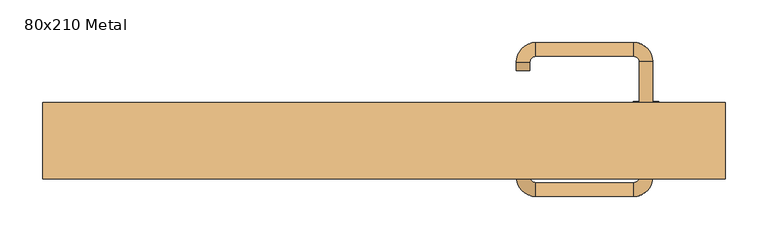
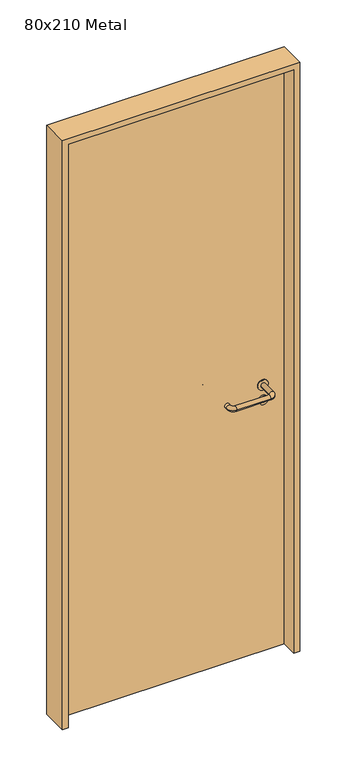
"""IFC4 building model written with IfcOpenShell, lengths in millimetres: door geometry, 80x210 Metal."""

from ifc_helpers import new_model, si_unit, point, frame, frame_2d, origin, origin_with_axes, place, context, project, spatial, polyline, circle_curve, ellipse_curve, trimmed, segment, composite_curve, outline, extrude, source, transform, mapped, element, save
from ifc_brep_helpers import plane_surface, cylinder_surface, revolved_surface, advanced_brep


def door_80x210_metal_b81446e7(model_context):
    return source(origin(), model_context, "Body", "SolidModel", [
        extrude(outline(composite_curve([segment(trimmed(circle_curve(frame_2d((897.3605726, 307.0)), 15.0), [point((897.3605726, 322.0))], [point((897.3605726, 292.0))], False, "CARTESIAN"), True, "CONTINUOUS"), segment(trimmed(circle_curve(frame_2d((897.3605726, 307.0)), 15.0), [point((897.3605726, 292.0))], [point((897.3605726, 322.0))], False, "CARTESIAN"), True, "CONTINUOUS")], self_intersect=False), holes=[composite_curve([segment(trimmed(circle_curve(frame_2d((892.5833211, 306.9398032)), 2.0), [point((892.5833211, 308.9398032))], [point((892.5833211, 304.9398032))], True, "CARTESIAN"), True, "CONTINUOUS"), segment(polyline([(892.5833211, 304.9398032), (902.5833211, 304.9398032)]), True, "CONTINUOUS"), segment(trimmed(circle_curve(frame_2d((902.5833211, 306.9398032)), 2.0), [point((902.5833211, 304.9398032))], [point((902.5833211, 308.9398032))], True, "CARTESIAN"), True, "CONTINUOUS"), segment(polyline([(902.5833211, 308.9398032), (892.5833211, 308.9398032)]), True, "CONTINUOUS")], self_intersect=False)]), frame((0.0, 8.65, 0.0), z_axis=(0.0, 1.0, 0.0), x_axis=(0.0, 0.0, 1.0)), (0.0, 0.0, 1.0), 6.35),
        extrude(outline(composite_curve([segment(trimmed(circle_curve(frame_2d((950.0, 307.0)), 17.526), [point((950.0, 324.526))], [point((950.0, 289.474))], False, "CARTESIAN"), True, "CONTINUOUS"), segment(trimmed(circle_curve(frame_2d((950.0, 307.0)), 17.526), [point((950.0, 289.474))], [point((950.0, 324.526))], False, "CARTESIAN"), True, "CONTINUOUS")], self_intersect=False)), frame((0.0, 11.825, 0.0), z_axis=(0.0, 1.0, 0.0), x_axis=(0.0, 0.0, 1.0)), (0.0, 0.0, 1.0), 3.175),
        advanced_brep(
        [(315.0, 15.0, 950.0), (299.0, 15.0, 950.0), (299.0, -38.0, 950.0), (315.0, -38.0, 950.0), (292.8578644, -44.1421356, 950.0), (292.8578644, -60.1421356, 950.0), (177.8578644, -44.1421356, 950.0), (177.8578644, -60.1421356, 950.0), (171.008622, -37.2928932, 950.0), (155.008622, -37.2928932, 950.0), (155.008622, -27.2928932, 950.0), (171.008622, -27.2928932, 950.0)],
        [
            (0, 1, circle_curve(frame((307.0, 15.0, 950.0), z_axis=(0.0, 1.0, 0.0), x_axis=(-1.0, 0.0, 0.0)), 8.0)),
            (1, 0, circle_curve(frame((307.0, 15.0, 950.0), z_axis=(0.0, 1.0, 0.0), x_axis=(-1.0, 0.0, 0.0)), 8.0)),
            (1, 2),
            (2, 3, circle_curve(frame((307.0, -38.0, 950.0), z_axis=(0.0, 1.0, 0.0), x_axis=(-1.0, 0.0, 0.0)), 8.0)),
            (3, 0),
            (3, 2, circle_curve(frame((307.0, -38.0, 950.0), z_axis=(0.0, 1.0, 0.0), x_axis=(-1.0, 0.0, 0.0)), 8.0)),
            (4, 5, circle_curve(frame((292.8578644, -52.1421356, 950.0), z_axis=(1.0, 0.0, 0.0), x_axis=(0.0, 1.0, 0.0)), 8.0)),
            (5, 3, circle_curve(frame((292.8578644, -38.0, 950.0), z_axis=(0.0, 0.0, 1.0), x_axis=(1.0, 0.0, 0.0)), 22.1421356)),
            (2, 4, circle_curve(frame((292.8578644, -38.0, 950.0), z_axis=(0.0, 0.0, -1.0), x_axis=(1.0, 0.0, 0.0)), 6.1421356)),
            (5, 4, circle_curve(frame((292.8578644, -52.1421356, 950.0), z_axis=(1.0, 0.0, 0.0), x_axis=(0.0, 1.0, 0.0)), 8.0)),
            (4, 6),
            (6, 7, circle_curve(frame((177.8578644, -52.1421356, 950.0), z_axis=(1.0, 0.0, 0.0), x_axis=(0.0, 1.0, 0.0)), 8.0)),
            (7, 5),
            (7, 6, circle_curve(frame((177.8578644, -52.1421356, 950.0), z_axis=(1.0, 0.0, 0.0), x_axis=(0.0, 1.0, 0.0)), 8.0)),
            (8, 9, circle_curve(frame((163.008622, -37.2928932, 950.0), z_axis=(0.0, -1.0, 0.0), x_axis=(1.0, 0.0, 0.0)), 8.0)),
            (9, 7, circle_curve(frame((177.8578644, -37.2928932, 950.0), z_axis=(0.0, 0.0, 1.0), x_axis=(0.0, -1.0, 0.0)), 22.8492424)),
            (6, 8, circle_curve(frame((177.8578644, -37.2928932, 950.0), z_axis=(0.0, 0.0, -1.0), x_axis=(0.0, -1.0, 0.0)), 6.8492424)),
            (9, 8, circle_curve(frame((163.008622, -37.2928932, 950.0), z_axis=(0.0, -1.0, 0.0), x_axis=(1.0, 0.0, 0.0)), 8.0)),
            (10, 11, circle_curve(frame((163.008622, -27.2928932, 950.0), z_axis=(0.0, 1.0, 0.0), x_axis=(1.0, 0.0, 0.0)), 8.0)),
            (11, 10, circle_curve(frame((163.008622, -27.2928932, 950.0), z_axis=(0.0, 1.0, 0.0), x_axis=(1.0, 0.0, 0.0)), 8.0)),
            (8, 11),
            (10, 9),
        ],
        [
            plane_surface(frame((307.0, 15.0, 0.0), z_axis=(0.0, 1.0, 0.0), x_axis=(0.0, 0.0, 1.0))),
            cylinder_surface(frame((307.0, 15.0, 950.0), z_axis=(0.0, 1.0, 0.0), x_axis=(-1.0, 0.0, 0.0)), 8.0),
            revolved_surface(trimmed(ellipse_curve(frame((307.0, -38.0, 950.0), z_axis=(0.0, -1.0, 0.0), x_axis=(-1.0, 0.0, 0.0)), 8.0, 8.0), [point((315.0, -38.0, 950.0))], [point((299.0, -38.0, 950.0))], True, "CARTESIAN"), (292.8578644, -38.0, 0.0), (0.0, 0.0, 1.0)),
            revolved_surface(trimmed(ellipse_curve(frame((307.0, -38.0, 950.0), z_axis=(0.0, -1.0, 0.0), x_axis=(-1.0, 0.0, 0.0)), 8.0, 8.0), [point((299.0, -38.0, 950.0))], [point((315.0, -38.0, 950.0))], True, "CARTESIAN"), (292.8578644, -38.0, 0.0), (0.0, 0.0, 1.0)),
            cylinder_surface(frame((292.8578644, -52.1421356, 950.0), z_axis=(1.0, 0.0, 0.0), x_axis=(0.0, 1.0, 0.0)), 8.0),
            revolved_surface(trimmed(ellipse_curve(frame((177.8578644, -52.1421356, 950.0), z_axis=(-1.0, 0.0, 0.0), x_axis=(0.0, 1.0, 0.0)), 8.0, 8.0), [point((177.8578644, -60.1421356, 950.0))], [point((177.8578644, -44.1421356, 950.0))], True, "CARTESIAN"), (177.8578644, -37.2928932, 0.0), (0.0, 0.0, 1.0)),
            revolved_surface(trimmed(ellipse_curve(frame((177.8578644, -52.1421356, 950.0), z_axis=(-1.0, 0.0, 0.0), x_axis=(0.0, 1.0, 0.0)), 8.0, 8.0), [point((177.8578644, -44.1421356, 950.0))], [point((177.8578644, -60.1421356, 950.0))], True, "CARTESIAN"), (177.8578644, -37.2928932, 0.0), (0.0, 0.0, 1.0)),
            plane_surface(frame((163.008622, -27.2928932, 0.0), z_axis=(0.0, 1.0, 0.0), x_axis=(0.0, 0.0, 1.0))),
            cylinder_surface(frame((163.008622, -37.2928932, 950.0), z_axis=(0.0, -1.0, 0.0), x_axis=(1.0, 0.0, 0.0)), 8.0),
        ],
        [
            (0, [[1, 2]]),
            (1, [[3, 4, 5, -2]]),
            (1, [[-5, 6, -3, -1]]),
            (2, [[7, 8, -4, 9]]),
            (3, [[10, -9, -6, -8]]),
            (4, [[11, 12, 13, -7]]),
            (4, [[-13, 14, -11, -10]]),
            (5, [[15, 16, -12, 17]]),
            (6, [[18, -17, -14, -16]]),
            (7, [[19, 20]]),
            (8, [[21, -19, 22, -15]]),
            (8, [[-22, -20, -21, -18]]),
        ],
    ),
        extrude(outline(composite_curve([segment(trimmed(circle_curve(frame_2d((0.0, -15.0)), 15.0), [point((0.0, -30.0))], [point((0.0, 0.0))], False, "CARTESIAN"), True, "CONTINUOUS"), segment(trimmed(circle_curve(frame_2d((0.0, -15.0)), 15.0), [point((0.0, 0.0))], [point((0.0, -30.0))], False, "CARTESIAN"), True, "CONTINUOUS")], self_intersect=False), holes=[composite_curve([segment(trimmed(circle_curve(frame_2d((4.7772515, -14.9398032)), 2.0), [point((4.7772515, -16.9398032))], [point((4.7772515, -12.9398032))], True, "CARTESIAN"), True, "CONTINUOUS"), segment(polyline([(4.7772515, -12.9398032), (-5.2227485, -12.9398032)]), True, "CONTINUOUS"), segment(trimmed(circle_curve(frame_2d((-5.2227485, -14.9398032)), 2.0), [point((-5.2227485, -12.9398032))], [point((-5.2227485, -16.9398032))], True, "CARTESIAN"), True, "CONTINUOUS"), segment(polyline([(-5.2227485, -16.9398032), (4.7772515, -16.9398032)]), True, "CONTINUOUS")], self_intersect=False)]), frame((292.0, 45.0, 897.3605726), z_axis=(1.8870575173328306e-12, 1.0, 0.0), x_axis=(0.0, 0.0, -1.0)), (0.0, 0.0, 1.0), 6.35),
        extrude(outline(composite_curve([segment(trimmed(circle_curve(frame_2d((0.0, -17.526)), 17.526), [point((0.0, -35.052))], [point((0.0, 0.0))], False, "CARTESIAN"), True, "CONTINUOUS"), segment(trimmed(circle_curve(frame_2d((0.0, -17.526)), 17.526), [point((0.0, 0.0))], [point((0.0, -35.052))], False, "CARTESIAN"), True, "CONTINUOUS")], self_intersect=False)), frame((289.474, 45.0, 950.0), z_axis=(1.8870575173328306e-12, 1.0, 0.0), x_axis=(0.0, 0.0, -1.0)), (0.0, 0.0, 1.0), 3.175),
        advanced_brep(
        [(315.0, 45.0, 950.0), (299.0, 45.0, 950.0), (315.0, 98.0, 950.0), (299.0, 98.0, 950.0), (292.8578644, 104.1421356, 950.0), (292.8578644, 120.1421356, 950.0), (177.8578644, 120.1421356, 950.0), (177.8578644, 104.1421356, 950.0), (171.008622, 97.2928932, 950.0), (155.008622, 97.2928932, 950.0), (155.008622, 87.2928932, 950.0), (171.008622, 87.2928932, 950.0)],
        [
            (0, 1, circle_curve(frame((307.0, 45.0, 950.0), z_axis=(-1.888672253512351e-12, -1.0, 0.0), x_axis=(-1.0, 1.888672253512351e-12, 0.0)), 8.0)),
            (1, 0, circle_curve(frame((307.0, 45.0, 950.0), z_axis=(-1.888672253512351e-12, -1.0, 0.0), x_axis=(-1.0, 1.888672253512351e-12, 0.0)), 8.0)),
            (0, 2),
            (2, 3, circle_curve(frame((307.0, 98.0, 950.0), z_axis=(-1.888672253512351e-12, -1.0, 0.0), x_axis=(-1.0, 1.888672253512351e-12, 0.0)), 8.0)),
            (3, 1),
            (3, 2, circle_curve(frame((307.0, 98.0, 950.0), z_axis=(-1.888672253512351e-12, -1.0, 0.0), x_axis=(-1.0, 1.888672253512351e-12, 0.0)), 8.0)),
            (4, 3, circle_curve(frame((292.8578644, 98.0, 950.0), z_axis=(0.0, 0.0, -1.0), x_axis=(1.0, -1.880717803715015e-12, 0.0)), 6.1421356)),
            (2, 5, circle_curve(frame((292.8578644, 98.0, 950.0), z_axis=(0.0, 0.0, 1.0), x_axis=(1.0, -1.880717803715015e-12, 0.0)), 22.1421356)),
            (5, 4, circle_curve(frame((292.8578644, 112.1421356, 950.0), z_axis=(1.0, -1.913702061528922e-12, 0.0), x_axis=(-1.913702061528922e-12, -1.0, 0.0)), 8.0)),
            (4, 5, circle_curve(frame((292.8578644, 112.1421356, 950.0), z_axis=(1.0, -1.913702061528922e-12, 0.0), x_axis=(-1.913702061528922e-12, -1.0, 0.0)), 8.0)),
            (5, 6),
            (6, 7, circle_curve(frame((177.8578644, 112.1421356, 950.0), z_axis=(1.0, -1.913719828541269e-12, 0.0), x_axis=(-1.913719828541269e-12, -1.0, 0.0)), 8.0)),
            (7, 4),
            (7, 6, circle_curve(frame((177.8578644, 112.1421356, 950.0), z_axis=(1.0, -1.913719828541269e-12, 0.0), x_axis=(-1.913719828541269e-12, -1.0, 0.0)), 8.0)),
            (8, 7, circle_curve(frame((177.8578644, 97.2928932, 950.0), z_axis=(0.0, 0.0, -1.0), x_axis=(1.9120873253494017e-12, 1.0, 0.0)), 6.8492424)),
            (6, 9, circle_curve(frame((177.8578644, 97.2928932, 950.0), z_axis=(0.0, 0.0, 1.0), x_axis=(1.9120873253494017e-12, 1.0, 0.0)), 22.8492424)),
            (9, 8, circle_curve(frame((163.008622, 97.2928932, 950.0), z_axis=(1.890448610351751e-12, 1.0, 0.0), x_axis=(1.0, -1.890448610351751e-12, 0.0)), 8.0)),
            (8, 9, circle_curve(frame((163.008622, 97.2928932, 950.0), z_axis=(1.8888942981172756e-12, 1.0, 0.0), x_axis=(1.0, -1.8888942981172756e-12, 0.0)), 8.0)),
            (10, 11, circle_curve(frame((163.008622, 87.2928932, 950.0), z_axis=(-1.8903642334018795e-12, -1.0, 0.0), x_axis=(1.0, -1.8903642334018795e-12, 0.0)), 8.0)),
            (11, 10, circle_curve(frame((163.008622, 87.2928932, 950.0), z_axis=(-1.8903642334018795e-12, -1.0, 0.0), x_axis=(1.0, -1.8903642334018795e-12, 0.0)), 8.0)),
            (9, 10),
            (11, 8),
        ],
        [
            plane_surface(frame((307.0, 45.0, 0.0), z_axis=(-1.8870575173328306e-12, -1.0, 0.0), x_axis=(0.0, 0.0, 1.0))),
            cylinder_surface(frame((307.0, 45.0, 950.0), z_axis=(-1.888672253512351e-12, -1.0, 0.0), x_axis=(-1.0, 1.888672253512351e-12, 0.0)), 8.0),
            revolved_surface(trimmed(ellipse_curve(frame((307.0, 98.0, 950.0), z_axis=(-1.8823325398945356e-12, -1.0, 0.0), x_axis=(-1.0, 1.8823325398945356e-12, 0.0)), 8.0, 8.0), [point((315.0, 98.0, 950.0))], [point((299.0, 98.0, 950.0))], True, "CARTESIAN"), (292.8578644, 98.0, 0.0), (0.0, 0.0, 1.0)),
            revolved_surface(trimmed(ellipse_curve(frame((307.0, 98.0, 950.0), z_axis=(-1.8823325398945356e-12, -1.0, 0.0), x_axis=(-1.0, 1.8823325398945356e-12, 0.0)), 8.0, 8.0), [point((299.0, 98.0, 950.0))], [point((315.0, 98.0, 950.0))], True, "CARTESIAN"), (292.8578644, 98.0, 0.0), (0.0, 0.0, 1.0)),
            cylinder_surface(frame((292.8578644, 112.1421356, 950.0), z_axis=(1.0, -1.913719828541269e-12, 0.0), x_axis=(-1.913719828541269e-12, -1.0, 0.0)), 8.0),
            revolved_surface(trimmed(ellipse_curve(frame((177.8578644, 112.1421356, 950.0), z_axis=(1.0, -1.913702061528922e-12, 0.0), x_axis=(-1.913702061528922e-12, -1.0, 0.0)), 8.0, 8.0), [point((177.8578644, 120.1421356, 950.0))], [point((177.8578644, 104.1421356, 950.0))], True, "CARTESIAN"), (177.8578644, 97.2928932, 0.0), (0.0, 0.0, 1.0)),
            revolved_surface(trimmed(ellipse_curve(frame((177.8578644, 112.1421356, 950.0), z_axis=(1.0, -1.913702061528922e-12, 0.0), x_axis=(-1.913702061528922e-12, -1.0, 0.0)), 8.0, 8.0), [point((177.8578644, 104.1421356, 950.0))], [point((177.8578644, 120.1421356, 950.0))], True, "CARTESIAN"), (177.8578644, 97.2928932, 0.0), (0.0, 0.0, 1.0)),
            plane_surface(frame((163.008622, 87.2928932, 0.0), z_axis=(-1.8887494972223595e-12, -1.0, 0.0), x_axis=(0.0, 0.0, 1.0))),
            cylinder_surface(frame((163.008622, 97.2928932, 950.0), z_axis=(1.8903642334018795e-12, 1.0, 0.0), x_axis=(1.0, -1.8903642334018795e-12, 0.0)), 8.0),
        ],
        [
            (0, [[1, 2]]),
            (1, [[-1, 3, 4, 5]]),
            (1, [[-2, -5, 6, -3]]),
            (2, [[7, -4, 8, 9]]),
            (3, [[-8, -6, -7, 10]]),
            (4, [[-9, 11, 12, 13]]),
            (4, [[-10, -13, 14, -11]]),
            (5, [[15, -12, 16, 17]]),
            (6, [[-16, -14, -15, 18]]),
            (7, [[19, 20]]),
            (8, [[-17, 21, -20, 22]]),
            (8, [[-18, -22, -19, -21]]),
        ],
    ),
        extrude(outline(polyline([(2080.0, 380.0), (0.0, 380.0), (0.0, 400.0), (2100.0, 400.0), (2100.0, -400.0), (0.0, -400.0), (0.0, -380.0), (2080.0, -380.0), (2080.0, 380.0)])), frame((0.0, -40.0, 0.0), z_axis=(0.0, 1.0, 0.0), x_axis=(0.0, 0.0, 1.0)), (0.0, 0.0, 1.0), 90.0),
        extrude(outline(polyline([(-380.0, 45.0), (380.0, 45.0), (380.0, 15.0), (-380.0, 15.0), (-380.0, 45.0)])), origin_with_axes(), (0.0, 0.0, 1.0), 2080.0),
    ])


if __name__ == "__main__":
    model = new_model("IFC4")
    model_context = context("Model", 3, world=origin())
    ifc_project = project(units=[si_unit("LENGTHUNIT", "METRE", prefix="MILLI")], contexts=[model_context])
    site = spatial("IfcSite", under=ifc_project)
    building = spatial("IfcBuilding", under=site)
    placement = place(None, origin())
    door_80x210_metal_shape = door_80x210_metal_b81446e7(model_context)
    element("IfcDoor", 1, ObjectType="80x210 Metal", at=placement, inside=building, context=model_context, shape_type="MappedRepresentation", body=[
        mapped(door_80x210_metal_shape, transform((0.0, 0.0, 0.0), x_axis=(1.0, 0.0, 0.0), y_axis=(0.0, 1.0, 0.0), z_axis=(0.0, 0.0, 1.0))),
    ])
    save(model, "model.ifc")
